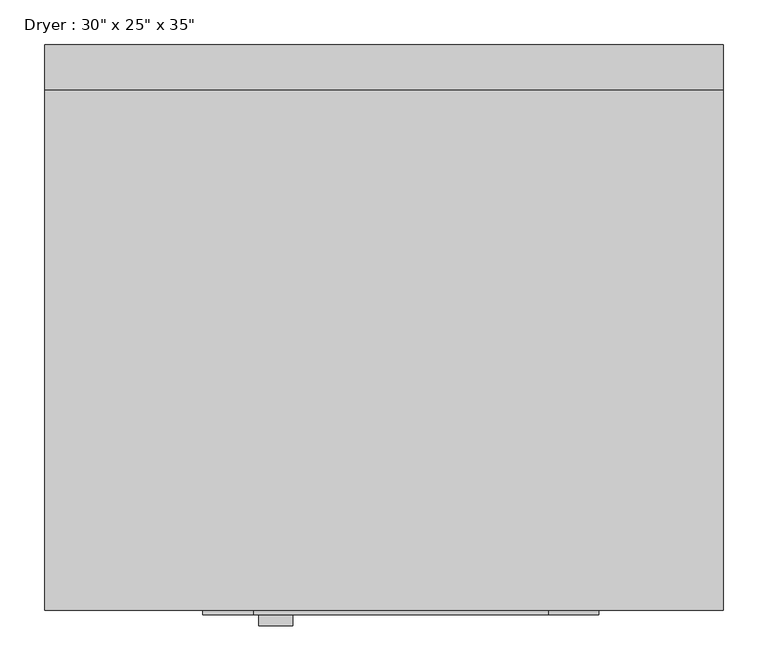
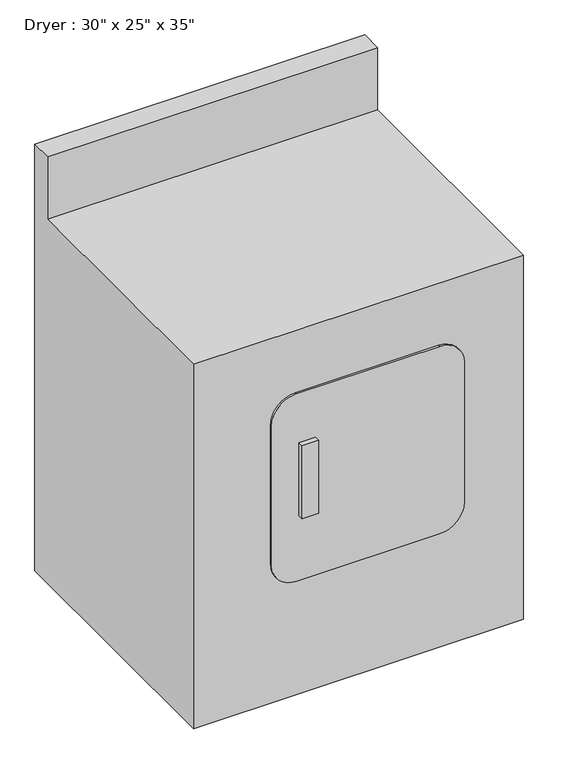
"""IFC4 building model written with IfcOpenShell, lengths in millimetres: proxy geometry."""

import ifcopenshell
import ifcopenshell.guid

model = None  # the IFC model being written
_history = None  # IfcOwnerHistory: only IFC2X3 demands one
_inside = {}  # id of a spatial element -> (the spatial element, [elements in it])
_under = {}  # id of a project, library or spatial element -> (it, [spatial elements below it])
_declared = {}  # id of a project -> (the project, [libraries it declares])
_typed = {}  # id of a type object -> (the type object, [elements of that type])
_made_of = {}  # id of a material, layer set ... -> (it, [elements and type objects made of it])


def new_model(schema):
    """Start an empty IFC model of exactly this schema.

    Asked for "IFC4X3", IfcOpenShell would pick the latest addendum, in which some entities
    have other attributes; the version numbers below select the first issue.
    IFC2X3 requires an IfcOwnerHistory on every rooted entity: one is made here for all.
    """
    global model, _history
    if schema == "IFC4X3":
        model = ifcopenshell.file(schema_version=(4, 3, 0, 0))
    else:
        model = ifcopenshell.file(schema=schema)
    _inside.clear()
    _under.clear()
    _declared.clear()
    _typed.clear()
    _made_of.clear()
    _history = None
    if model.schema == "IFC2X3":
        org = make("IfcOrganization", Name="unknown")
        user = make(
            "IfcPersonAndOrganization",
            ThePerson=make("IfcPerson", FamilyName="unknown"),
            TheOrganization=org,
        )
        app = make(
            "IfcApplication",
            ApplicationDeveloper=org,
            Version="unknown",
            ApplicationFullName="unknown",
            ApplicationIdentifier="unknown",
        )
        _history = make(
            "IfcOwnerHistory",
            OwningUser=user,
            OwningApplication=app,
            ChangeAction="ADDED",
            CreationDate=0,
        )
    return model


def make(cls, **values):
    """One entity of the class cls with the attributes given. An attribute that is None is left unset."""
    return model.create_entity(
        cls, **{name: value for name, value in values.items() if value is not None}
    )


def rooted(cls, **values):
    """An entity with a GlobalId (a new one), such as an element, a storey or a relation."""
    return make(cls, GlobalId=ifcopenshell.guid.new(), OwnerHistory=_history, **values)


def si_unit(unit_type, name, prefix=None):
    """IfcSIUnit, for example si_unit("LENGTHUNIT", "METRE", prefix="MILLI")."""
    return make("IfcSIUnit", UnitType=unit_type, Prefix=prefix, Name=name)


def assignment(units):
    """IfcUnitAssignment: the units of a project."""
    return None if units is None else make("IfcUnitAssignment", Units=units)


def point(xyz):
    """IfcCartesianPoint."""
    return None if xyz is None else make("IfcCartesianPoint", Coordinates=xyz)


def direction(xyz):
    """IfcDirection."""
    return None if xyz is None else make("IfcDirection", DirectionRatios=xyz)


def frame(location, z_axis=None, x_axis=None):
    """IfcAxis2Placement3D, a coordinate frame: its origin and axes. An axis left out is left unset."""
    return make(
        "IfcAxis2Placement3D",
        Location=point(location),
        Axis=direction(z_axis),
        RefDirection=direction(x_axis),
    )


def frame_2d(location, x_axis=None):
    """IfcAxis2Placement2D, a coordinate frame in the plane: its origin and x axis."""
    return make(
        "IfcAxis2Placement2D", Location=point(location), RefDirection=direction(x_axis)
    )


def origin():
    """The frame at (0, 0, 0) with its axes left unset."""
    return frame((0.0, 0.0, 0.0))


def place(relative_to, where):
    """IfcLocalPlacement: puts the frame where relative to a parent placement (None: the world)."""
    return make(
        "IfcLocalPlacement", PlacementRelTo=relative_to, RelativePlacement=where
    )


def context(
    kind, dimensions, precision=None, world=None, true_north=None, identifier=None
):
    """IfcGeometricRepresentationContext, for example the 3D "Model" context."""
    return make(
        "IfcGeometricRepresentationContext",
        ContextIdentifier=identifier,
        ContextType=kind,
        CoordinateSpaceDimension=dimensions,
        Precision=precision,
        WorldCoordinateSystem=world,
        TrueNorth=true_north,
    )


def project(units=None, contexts=None):
    """IfcProject with its units and contexts."""
    return rooted(
        "IfcProject",
        Name="project",
        RepresentationContexts=contexts,
        UnitsInContext=assignment(units),
    )


def spatial(cls, under=None, at=None, **own):
    """A site, building, storey or space (cls), placed at a placement, below another one or the project."""
    s = rooted(cls, ObjectPlacement=at, **own)
    if under is not None:
        _under.setdefault(under.id(), (under, []))[1].append(s)
    return s


def polyline(points):
    """IfcPolyline through the points."""
    return make("IfcPolyline", Points=[point(p) for p in points])


def circle_curve(where, radius):
    """IfcCircle in the frame where."""
    return make("IfcCircle", Position=where, Radius=radius)


def trimmed(basis, trim1, trim2, sense, master):
    """IfcTrimmedCurve: the piece of a basis curve between two trims."""
    return make(
        "IfcTrimmedCurve",
        BasisCurve=basis,
        Trim1=trim1,
        Trim2=trim2,
        SenseAgreement=sense,
        MasterRepresentation=master,
    )


def segment(curve, same_sense, transition):
    """IfcCompositeCurveSegment."""
    return make(
        "IfcCompositeCurveSegment",
        Transition=transition,
        SameSense=same_sense,
        ParentCurve=curve,
    )


def composite_curve(segments, self_intersect=None):
    """IfcCompositeCurve: segments joined end to end."""
    return make("IfcCompositeCurve", Segments=segments, SelfIntersect=self_intersect)


def outline(outer, holes=None, kind="AREA"):
    """IfcArbitraryClosedProfileDef: a profile drawn as a closed curve; with holes, ...WithVoids."""
    if holes is None:
        return make("IfcArbitraryClosedProfileDef", ProfileType=kind, OuterCurve=outer)
    return make(
        "IfcArbitraryProfileDefWithVoids",
        ProfileType=kind,
        OuterCurve=outer,
        InnerCurves=holes,
    )


def extrude(swept, where, along, depth):
    """IfcExtrudedAreaSolid: the profile swept, set in the frame where, extruded along a direction by depth."""
    return make(
        "IfcExtrudedAreaSolid",
        SweptArea=swept,
        Position=where,
        ExtrudedDirection=direction(along),
        Depth=depth,
    )


def shape(context_of_items, identifier, shape_type, items):
    """IfcShapeRepresentation: the items that make up one representation, for example the "Body"."""
    return make(
        "IfcShapeRepresentation",
        ContextOfItems=context_of_items,
        RepresentationIdentifier=identifier,
        RepresentationType=shape_type,
        Items=items,
    )


def source(mapping_origin, context_of_items, identifier, shape_type, items):
    """IfcRepresentationMap: a shape defined once, which mapped items show again and again."""
    return make(
        "IfcRepresentationMap",
        MappingOrigin=mapping_origin,
        MappedRepresentation=shape(context_of_items, identifier, shape_type, items),
    )


def transform(
    local_origin,
    x_axis=None,
    y_axis=None,
    z_axis=None,
    scale=None,
    scale2=None,
    scale3=None,
    uniform=True,
):
    """IfcCartesianTransformationOperator3D, or its non-uniform kind. x_axis, y_axis, z_axis: its Axis1, 2, 3."""
    if uniform:
        return make(
            "IfcCartesianTransformationOperator3D",
            Axis1=direction(x_axis),
            Axis2=direction(y_axis),
            LocalOrigin=point(local_origin),
            Scale=scale,
            Axis3=direction(z_axis),
        )
    return make(
        "IfcCartesianTransformationOperator3DnonUniform",
        Axis1=direction(x_axis),
        Axis2=direction(y_axis),
        LocalOrigin=point(local_origin),
        Scale=scale,
        Axis3=direction(z_axis),
        Scale2=scale2,
        Scale3=scale3,
    )


def mapped(mapping_source, mapping_target):
    """IfcMappedItem: shows the shape of a source again, moved by a transform."""
    return make(
        "IfcMappedItem", MappingSource=mapping_source, MappingTarget=mapping_target
    )


def made_of(thing, what):
    """Note that an element or type object is made of a material, layer set ...; save() writes the relation."""
    if what is not None:
        _made_of.setdefault(what.id(), (what, []))[1].append(thing)
    return thing


def element(
    cls,
    number,
    at=None,
    inside=None,
    cuts=None,
    type_object=None,
    material=None,
    context=None,
    identifier="Body",
    shape_type=None,
    held_by="IfcProductDefinitionShape",
    body=None,
    shapes=None,
    **own,
):
    """One element of the class cls, such as IfcWall. Its Tag is "e" and its number.

    at: its placement. inside: the storey or other place that contains it. cuts: it is an
    opening in that element (IfcRelVoidsElement). A single representation is given by context,
    identifier, shape_type and body (its items); several are given by shapes. held_by: the class
    of the entity that holds the representations. save() writes the other relations.
    """
    e = rooted(cls, Tag="e%d" % number, ObjectPlacement=at, **own)
    if body is not None:
        shapes = [shape(context, identifier, shape_type, body)]
    if shapes is not None:
        e.Representation = make(held_by, Representations=shapes)
    if inside is not None:
        _inside.setdefault(inside.id(), (inside, []))[1].append(e)
    if cuts is not None:
        rooted(
            "IfcRelVoidsElement", RelatingBuildingElement=cuts, RelatedOpeningElement=e
        )
    if type_object is not None:
        _typed.setdefault(type_object.id(), (type_object, []))[1].append(e)
    return made_of(e, material)


def aggregate(whole, parts):
    """IfcRelAggregates: a whole, such as a stair, and the parts it consists of."""
    return rooted("IfcRelAggregates", RelatingObject=whole, RelatedObjects=parts)


def save(model, path):
    """Write the relations noted so far, then the file.

    IfcRelAggregates (storeys below a building ...), IfcRelContainedInSpatialStructure (elements
    in a storey), IfcRelDefinesByType, IfcRelAssociatesMaterial and IfcRelDeclares: one each for
    every whole, place, type object, material and project.
    """
    for whole, parts in _under.values():
        aggregate(whole, parts)
    for where, things in _inside.values():
        rooted(
            "IfcRelContainedInSpatialStructure",
            RelatedElements=things,
            RelatingStructure=where,
        )
    for kind, things in _typed.values():
        rooted("IfcRelDefinesByType", RelatedObjects=things, RelatingType=kind)
    for what, things in _made_of.values():
        rooted("IfcRelAssociatesMaterial", RelatedObjects=things, RelatingMaterial=what)
    for by, libraries in _declared.values():
        rooted("IfcRelDeclares", RelatingContext=by, RelatedDefinitions=libraries)
    model.write(path)


def proxy_6b4a07a9(model_context):
    return source(origin(), model_context, "Body", "SweptSolid", [
        extrude(outline(polyline([(314.8635206, -20.3014962), (276.7635206, -20.3014962), (276.7635206, -7.6014962), (314.8635206, -7.6014962), (314.8635206, -20.3014962)])), frame((0.0, 0.0, 438.7649313), z_axis=(0.0, 0.0, 1.0), x_axis=(1.0, 0.0, 0.0)), (0.0, 0.0, 1.0), 177.8),
        extrude(outline(composite_curve([segment(polyline([(737.623844, 601.2374563), (737.623844, 271.0374563)]), True, "CONTINUOUS"), segment(trimmed(circle_curve(frame_2d((680.473844, 271.0374563)), 57.15), [point((737.623844, 271.0374563))], [point((680.473844, 213.8874563))], False, "CARTESIAN"), True, "CONTINUOUS"), segment(polyline([(680.473844, 213.8874563), (337.573844, 213.8874563)]), True, "CONTINUOUS"), segment(trimmed(circle_curve(frame_2d((337.573844, 271.0374563)), 57.15), [point((337.573844, 213.8874563))], [point((280.423844, 271.0374563))], False, "CARTESIAN"), True, "CONTINUOUS"), segment(polyline([(280.423844, 271.0374563), (280.423844, 601.2374563)]), True, "CONTINUOUS"), segment(trimmed(circle_curve(frame_2d((337.573844, 601.2374563)), 57.15), [point((280.423844, 601.2374563))], [point((337.573844, 658.3874563))], False, "CARTESIAN"), True, "CONTINUOUS"), segment(polyline([(337.573844, 658.3874563), (680.473844, 658.3874563)]), True, "CONTINUOUS"), segment(trimmed(circle_curve(frame_2d((680.473844, 601.2374563)), 57.15), [point((680.473844, 658.3874563))], [point((737.623844, 601.2374563))], False, "CARTESIAN"), True, "CONTINUOUS")], self_intersect=False)), frame((0.0, -7.6014962, 0.0), z_axis=(0.0, 1.0, 0.0), x_axis=(0.0, 0.0, 1.0)), (0.0, 0.0, 1.0), 4.7625),
        extrude(outline(polyline([(632.1610038, 0.0), (-2.8389962, 0.0), (-2.8389962, 889.0), (581.3610038, 889.0), (581.3610038, 1041.4), (632.1610038, 1041.4), (632.1610038, 0.0)])), frame((36.0874563, 0.0, 0.0), z_axis=(1.0, 0.0, 0.0), x_axis=(0.0, 1.0, 0.0)), (0.0, 0.0, 1.0), 762.0),
    ])


if __name__ == "__main__":
    model = new_model("IFC4")
    model_context = context("Model", 3, world=origin())
    ifc_project = project(units=[si_unit("LENGTHUNIT", "METRE", prefix="MILLI")], contexts=[model_context])
    site = spatial("IfcSite", under=ifc_project)
    building = spatial("IfcBuilding", under=site)
    placement = place(None, origin())
    proxy_shape = proxy_6b4a07a9(model_context)
    element("IfcBuildingElementProxy", 1, Name="Dryer : 30\" x 25\" x 35\"", ObjectType="Dryer : 30\" x 25\" x 35\"", at=placement, inside=building, context=model_context, shape_type="MappedRepresentation", body=[
        mapped(proxy_shape, transform((0.0, 0.0, 0.0), x_axis=(1.0, 0.0, 0.0), y_axis=(0.0, 1.0, 0.0), z_axis=(0.0, 0.0, 1.0))),
    ])
    save(model, "model.ifc")
